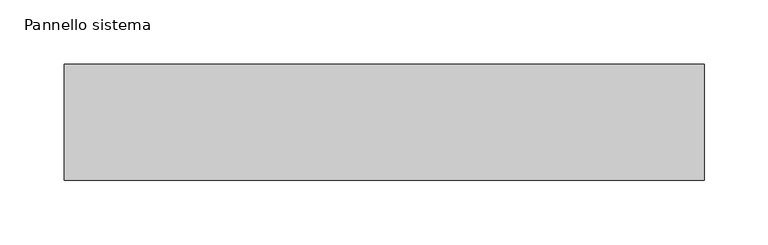
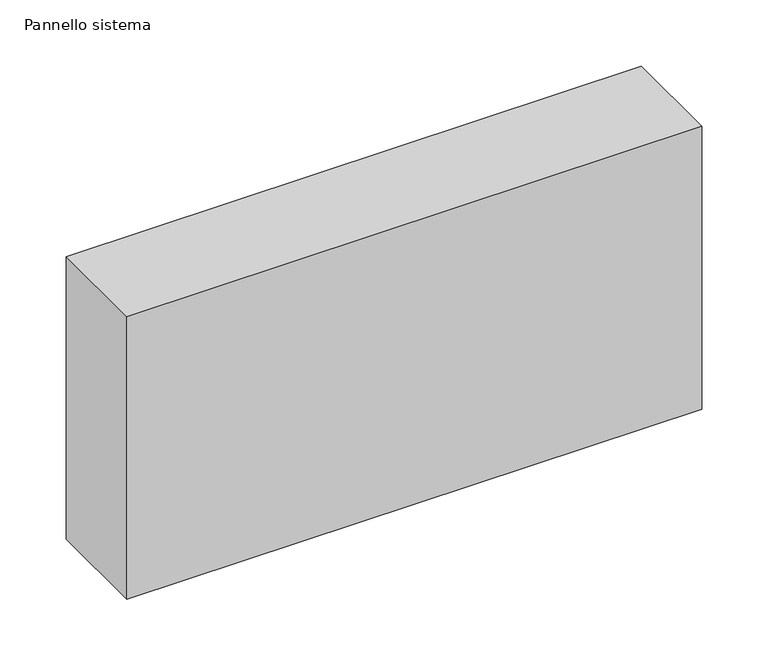
"""IFC4 building model written with IfcOpenShell, lengths in millimetres: plate geometry, Pannello sistema."""

from ifc_helpers import new_model, si_unit, origin, origin_with_axes, place, context, project, spatial, polyline, outline, extrude, source, transform, mapped, element, save


def pannello_sistema_a7475e0c(model_context):
    return source(origin(), model_context, "Body", "SweptSolid", [
        extrude(outline(polyline([(250.0, -45.5), (-250.0, -45.5), (-250.0, 45.5), (250.0, 45.5), (250.0, -45.5)])), origin_with_axes(), (0.0, 0.0, 1.0), 260.0),
    ])


if __name__ == "__main__":
    model = new_model("IFC4")
    model_context = context("Model", 3, world=origin())
    ifc_project = project(units=[si_unit("LENGTHUNIT", "METRE", prefix="MILLI")], contexts=[model_context])
    site = spatial("IfcSite", under=ifc_project)
    building = spatial("IfcBuilding", under=site)
    placement = place(None, origin())
    pannello_sistema_shape = pannello_sistema_a7475e0c(model_context)
    element("IfcPlate", 1, ObjectType="Pannello sistema", at=placement, inside=building, context=model_context, shape_type="MappedRepresentation", body=[
        mapped(pannello_sistema_shape, transform((0.0, 0.0, 0.0), x_axis=(1.0, 0.0, 0.0), y_axis=(0.0, 1.0, 0.0), z_axis=(0.0, 0.0, 1.0))),
    ])
    save(model, "model.ifc")
